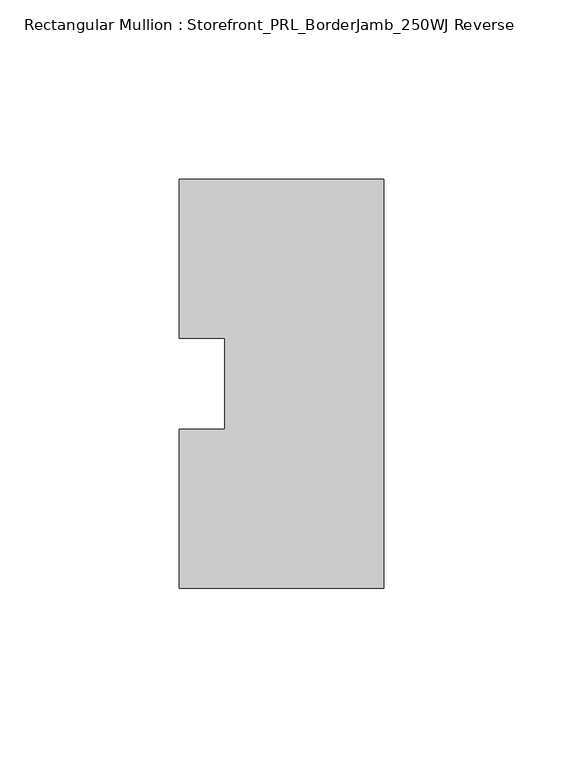
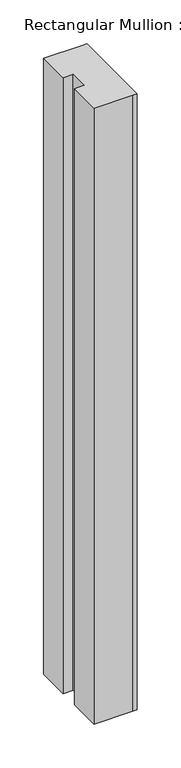
"""IFC4 building model written with IfcOpenShell, lengths in millimetres: member geometry, Rectangular Mullion : Storefront_PRL_BorderJamb_250WJ Reverse."""

from ifc_helpers import new_model, si_unit, frame, origin, place, context, project, spatial, polyline, outline, extrude, source, transform, mapped, element, save


def rectangular_mullion_storefront_prl_borderjamb_250wj_reverse_28ef4080(model_context):
    return source(origin(), model_context, "Body", "SweptSolid", [
        extrude(outline(polyline([(-44.45, -12.7), (-44.45, 12.7), (-57.15, 12.7), (-57.15, 57.15), (-7.3958824, 57.15), (0.0, 57.15), (0.0, -57.15), (-6.35, -57.15), (-57.15, -57.15), (-57.15, -12.7), (-44.45, -12.7)])), frame((0.0, 0.0, -857.25), z_axis=(0.0, 0.0, 1.0), x_axis=(1.0, 0.0, 0.0)), (0.0, 0.0, 1.0), 857.25),
    ])


if __name__ == "__main__":
    model = new_model("IFC4")
    model_context = context("Model", 3, world=origin())
    ifc_project = project(units=[si_unit("LENGTHUNIT", "METRE", prefix="MILLI")], contexts=[model_context])
    site = spatial("IfcSite", under=ifc_project)
    building = spatial("IfcBuilding", under=site)
    placement = place(None, origin())
    rectangular_mullion_storefront_prl_borderjamb_250wj_reverse_shape = rectangular_mullion_storefront_prl_borderjamb_250wj_reverse_28ef4080(model_context)
    element("IfcMember", 1, ObjectType="Rectangular Mullion : Storefront_PRL_BorderJamb_250WJ Reverse", at=placement, inside=building, context=model_context, shape_type="MappedRepresentation", body=[
        mapped(rectangular_mullion_storefront_prl_borderjamb_250wj_reverse_shape, transform((0.0, 0.0, 0.0), x_axis=(1.0, 0.0, 0.0), y_axis=(0.0, 1.0, 0.0), z_axis=(0.0, 0.0, 1.0))),
    ])
    save(model, "model.ifc")
